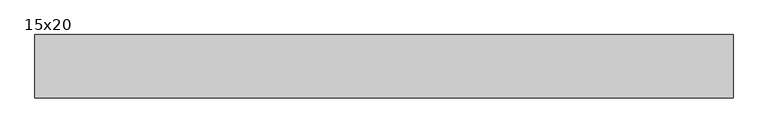
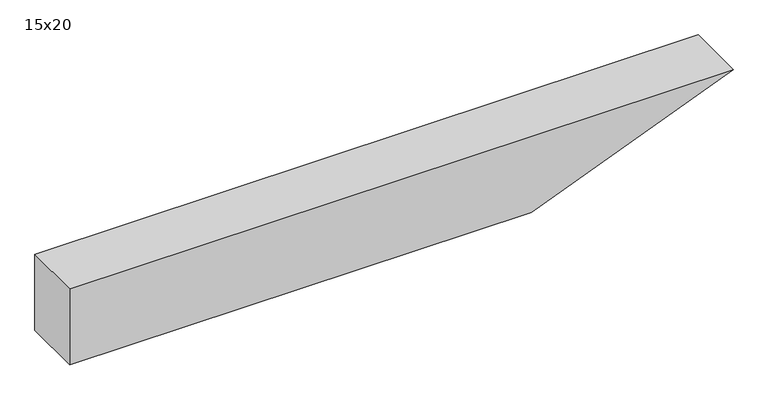
"""IFC4 building model written with IfcOpenShell, lengths in millimetres: beam geometry, 15x20."""

from ifc_helpers import new_model, si_unit, frame, origin, place, context, project, spatial, polyline, outline, extrude, source, transform, mapped, element, save


def beam_15x20_0a8b14ad(model_context):
    return source(origin(), model_context, "Body", "SweptSolid", [
        extrude(outline(polyline([(100.0, -701.5), (-100.0, -701.5), (-100.0, 445.3), (100.0, 947.5), (100.0, -701.5)])), frame((0.0, -75.0, 0.0), z_axis=(0.0, 1.0, 0.0), x_axis=(0.0, 0.0, 1.0)), (0.0, 0.0, 1.0), 150.0),
    ])


if __name__ == "__main__":
    model = new_model("IFC4")
    model_context = context("Model", 3, world=origin())
    ifc_project = project(units=[si_unit("LENGTHUNIT", "METRE", prefix="MILLI")], contexts=[model_context])
    site = spatial("IfcSite", under=ifc_project)
    building = spatial("IfcBuilding", under=site)
    placement = place(None, origin())
    beam_15x20_shape = beam_15x20_0a8b14ad(model_context)
    element("IfcBeam", 1, ObjectType="15x20", at=placement, inside=building, context=model_context, shape_type="MappedRepresentation", body=[
        mapped(beam_15x20_shape, transform((0.0, 0.0, 0.0), x_axis=(1.0, 0.0, 0.0), y_axis=(0.0, 1.0, 0.0), z_axis=(0.0, 0.0, 1.0))),
    ])
    save(model, "model.ifc")
